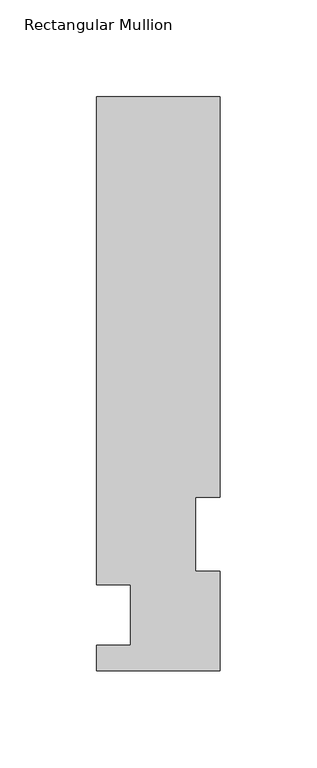
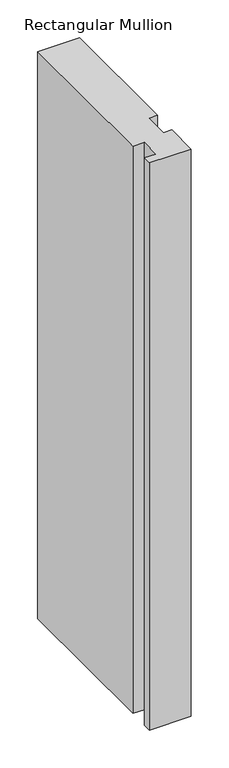
"""IFC4 building model written with IfcOpenShell, lengths in millimetres: member geometry, Rectangular Mullion."""

from ifc_helpers import new_model, si_unit, frame, origin, place, context, project, spatial, polyline, outline, extrude, source, transform, mapped, element, save


def rectangular_mullion_722ccb0b(model_context):
    return source(origin(), model_context, "Body", "SweptSolid", [
        extrude(outline(polyline([(-31.75, 13.3945313), (-14.2748001, 13.3945313), (-14.2748001, 44.4587312), (-31.7500001, 44.4587312), (-31.7500001, 295.9695312), (31.75, 295.9695312), (31.75, 89.5945313), (19.05, 89.5945313), (19.05, 51.4945312), (31.75, 51.4945312), (31.75, 0.2119313), (-31.75, 0.2119313), (-31.75, 13.3945313)])), frame((0.0, 0.0, -914.4), z_axis=(0.0, 0.0, 1.0), x_axis=(1.0, 0.0, 0.0)), (0.0, 0.0, 1.0), 914.4),
    ])


if __name__ == "__main__":
    model = new_model("IFC4")
    model_context = context("Model", 3, world=origin())
    ifc_project = project(units=[si_unit("LENGTHUNIT", "METRE", prefix="MILLI")], contexts=[model_context])
    site = spatial("IfcSite", under=ifc_project)
    building = spatial("IfcBuilding", under=site)
    placement = place(None, origin())
    rectangular_mullion_shape = rectangular_mullion_722ccb0b(model_context)
    element("IfcMember", 1, ObjectType="Rectangular Mullion", at=placement, inside=building, context=model_context, shape_type="MappedRepresentation", body=[
        mapped(rectangular_mullion_shape, transform((0.0, 0.0, 0.0), x_axis=(1.0, 0.0, 0.0), y_axis=(0.0, 1.0, 0.0), z_axis=(0.0, 0.0, 1.0))),
    ])
    save(model, "model.ifc")
